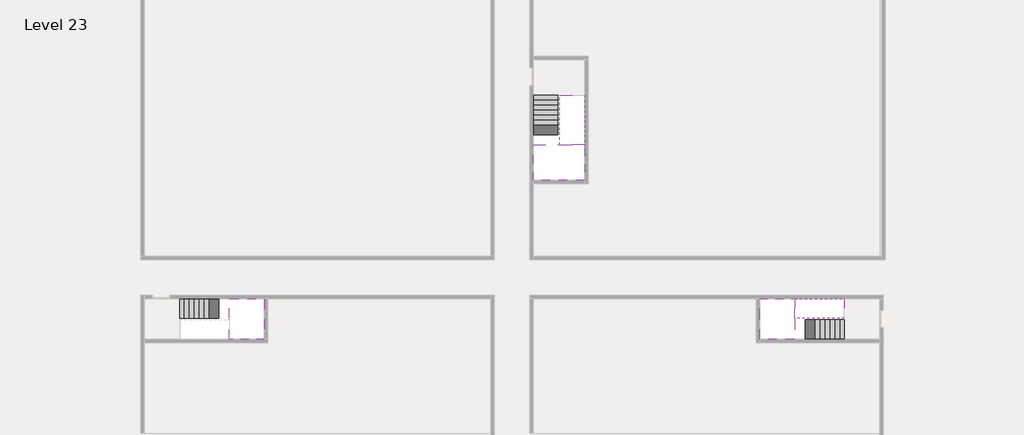
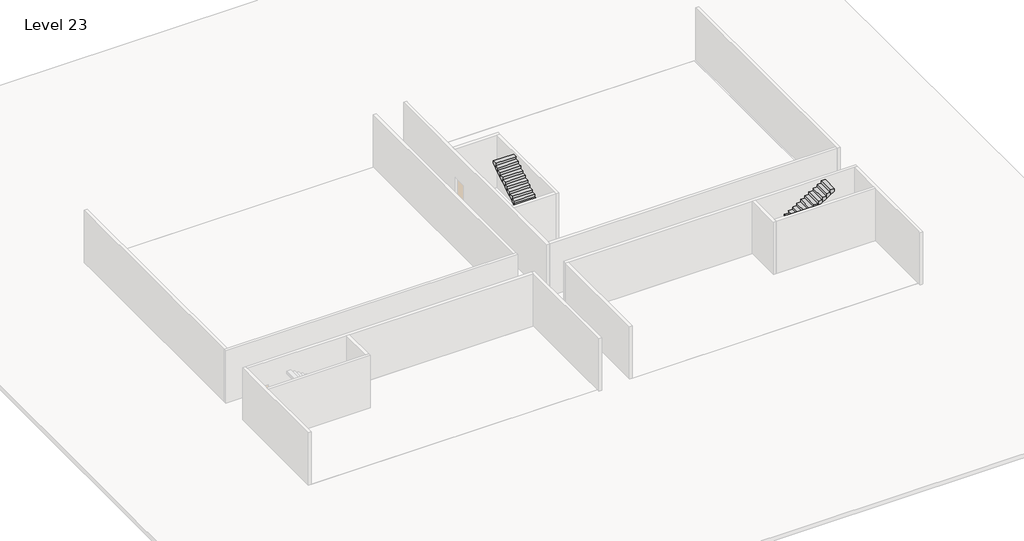
# One storey, part 2 of 2: 5 stair flights, 3 slabs.
"""IFC4 building model written with IfcOpenShell, lengths in millimetres."""

from ifc_helpers import new_model, si_unit, origin, place, context, project, spatial, faceted_brep, element, save

model = new_model("IFC4")

# Units and contexts
model_context = context("Model", 3, world=origin())
ifc_project = project(units=[si_unit("LENGTHUNIT", "METRE", prefix="MILLI")], contexts=[model_context])

# Site, building, storey
site = spatial("IfcSite", under=ifc_project)
building = spatial("IfcBuilding", under=site)
storey = spatial("IfcBuildingStorey", under=building, Name="Level 23", Elevation=83600.0)

# Slabs
placement = place(None, origin())
element("IfcSlab", 1, at=placement, inside=storey, context=model_context, shape_type="Brep", body=[
    faceted_brep([(8190.1058784, -42918.09644, 85500.0), (8190.1058784, -44018.09644, 85500.0), (8190.1058784, -44118.09644, 85500.0), (8190.1058784, -45218.09644, 85500.0), (8390.7194421, -45218.09644, 85500.0), (10190.1058784, -45218.09644, 85500.0), (10190.1058784, -42918.09644, 85500.0), (8269.4923146, -42918.09644, 85500.0), (8190.1058784, -42918.09644, 85327.2727273), (8190.1058784, -42918.09644, 85151.0278478), (8190.1058784, -44018.09644, 85151.0278478), (8190.1058784, -44018.09644, 85200.0), (8190.1058784, -44118.09644, 85200.0), (8190.1058784, -44118.09644, 85323.7551205), (8190.1058784, -45218.09644, 85323.7551205), (8390.7194421, -45218.09644, 85200.0), (10190.1058784, -45218.09644, 85200.0), (10190.1058784, -42918.09644, 85200.0), (8269.4923146, -42918.09644, 85200.0), (8390.7194421, -44118.09644, 85200.0), (8269.4923146, -44018.09644, 85200.0)], [[[0, 1, 2, 3, 4, 5, 6, 7]], [[1, 0, 8, 9, 10, 11]], [[2, 1, 11, 12, 13]], [[3, 2, 13, 14]], [[3, 14, 15, 16, 5, 4]], [[6, 5, 16, 17]], [[9, 8, 0, 7, 6, 17, 18]], [[19, 12, 11, 20, 18, 17, 16, 15]], [[12, 19, 13]], [[18, 20, 10, 9]], [[20, 11, 10]], [[19, 15, 14, 13]]]),
])
element("IfcSlab", 2, at=placement, inside=storey, context=model_context, shape_type="Brep", body=[
    faceted_brep([(40190.1058784, -45218.09644, 85500.0), (40190.1058784, -44118.09644, 85500.0), (40190.1058784, -44018.09644, 85500.0), (40190.1058784, -42918.09644, 85500.0), (39989.4923146, -42918.09644, 85500.0), (38190.1058784, -42918.09644, 85500.0), (38190.1058784, -45218.09644, 85500.0), (40110.7194421, -45218.09644, 85500.0), (40190.1058784, -45218.09644, 85327.2727273), (40190.1058784, -45218.09644, 85151.0278478), (40190.1058784, -44118.09644, 85151.0278478), (40190.1058784, -44118.09644, 85200.0), (40190.1058784, -44018.09644, 85200.0), (40190.1058784, -44018.09644, 85323.7551205), (40190.1058784, -42918.09644, 85323.7551205), (39989.4923146, -42918.09644, 85200.0), (38190.1058784, -42918.09644, 85200.0), (38190.1058784, -45218.09644, 85200.0), (40110.7194421, -45218.09644, 85200.0), (39989.4923146, -44018.09644, 85200.0), (40110.7194421, -44118.09644, 85200.0)], [[[0, 1, 2, 3, 4, 5, 6, 7]], [[1, 0, 8, 9, 10, 11]], [[2, 1, 11, 12, 13]], [[3, 2, 13, 14]], [[3, 14, 15, 16, 5, 4]], [[6, 5, 16, 17]], [[9, 8, 0, 7, 6, 17, 18]], [[19, 12, 11, 20, 18, 17, 16, 15]], [[12, 19, 13]], [[18, 20, 10, 9]], [[20, 11, 10]], [[19, 15, 14, 13]]]),
])
element("IfcSlab", 3, at=placement, inside=storey, context=model_context, shape_type="Brep", body=[
    faceted_brep([(26790.1058784, -34218.09644, 85500.0), (25390.1058784, -34218.09644, 85500.0), (25390.1058784, -34297.4828763, 85500.0), (25390.1058784, -36218.09644, 85500.0), (28290.1058784, -36218.09644, 85500.0), (28290.1058784, -34418.7100038, 85500.0), (28290.1058784, -34218.09644, 85500.0), (26890.1058784, -34218.09644, 85500.0), (26790.1058784, -34218.09644, 85200.0), (26790.1058784, -34218.09644, 85151.0278478), (25390.1058784, -34218.09644, 85151.0278478), (25390.1058784, -34218.09644, 85327.2727273), (25390.1058784, -34297.4828763, 85200.0), (25390.1058784, -36218.09644, 85200.0), (28290.1058784, -36218.09644, 85200.0), (28290.1058784, -34418.7100038, 85200.0), (28290.1058784, -34218.09644, 85323.7551205), (26890.1058784, -34218.09644, 85323.7551205), (26890.1058784, -34218.09644, 85200.0), (26890.1058784, -34418.7100038, 85200.0), (26790.1058784, -34297.4828763, 85200.0)], [[[0, 1, 2, 3, 4, 5, 6, 7]], [[1, 0, 8, 9, 10, 11]], [[1, 11, 10, 12, 13, 3, 2]], [[4, 3, 13, 14]], [[4, 14, 15, 16, 6, 5]], [[7, 6, 16, 17]], [[0, 7, 17, 18, 8]], [[18, 19, 15, 14, 13, 12, 20, 8]], [[19, 18, 17]], [[20, 12, 10, 9]], [[8, 20, 9]], [[15, 19, 17, 16]]]),
])

# Stair flights
element("IfcStairFlight", 4, at=placement, inside=storey, context=model_context, shape_type="Brep", body=[
    faceted_brep([(5670.1058784, -42918.09644, 83772.7272727), (5390.1058784, -42918.09644, 83772.7272727), (5390.1058784, -44018.09644, 83772.7272727), (5670.1058784, -44018.09644, 83772.7272727), (5670.1058784, -42918.09644, 83600.0), (5390.1058784, -42918.09644, 83600.0), (5390.1058784, -44018.09644, 83600.0), (5670.1058784, -44018.09644, 83600.0), (5950.1058784, -42918.09644, 83945.4545455), (5670.1058784, -42918.09644, 83945.4545455), (5670.1058784, -44018.09644, 83945.4545455), (5950.1058784, -44018.09644, 83945.4545455), (5950.1058784, -42918.09644, 83769.209666), (5675.8081041, -42918.09644, 83600.0), (5675.8081041, -44018.09644, 83600.0), (5950.1058784, -44018.09644, 83769.209666), (6230.1058784, -42918.09644, 84118.1818182), (5950.1058784, -42918.09644, 84118.1818182), (5950.1058784, -44018.09644, 84118.1818182), (6230.1058784, -44018.09644, 84118.1818182), (6230.1058784, -42918.09644, 83941.9369387), (6230.1058784, -44018.09644, 83941.9369387), (6510.1058784, -42918.09644, 84290.9090909), (6230.1058784, -42918.09644, 84290.9090909), (6230.1058784, -44018.09644, 84290.9090909), (6510.1058784, -44018.09644, 84290.9090909), (6510.1058784, -42918.09644, 84114.6642114), (6510.1058784, -44018.09644, 84114.6642114), (6790.1058784, -42918.09644, 84463.6363636), (6510.1058784, -42918.09644, 84463.6363636), (6510.1058784, -44018.09644, 84463.6363636), (6790.1058784, -44018.09644, 84463.6363636), (6790.1058784, -42918.09644, 84287.3914841), (6790.1058784, -44018.09644, 84287.3914841), (7070.1058784, -42918.09644, 84636.3636364), (6790.1058784, -42918.09644, 84636.3636364), (6790.1058784, -44018.09644, 84636.3636364), (7070.1058784, -44018.09644, 84636.3636364), (7070.1058784, -42918.09644, 84460.1187569), (7070.1058784, -44018.09644, 84460.1187569), (7350.1058784, -42918.09644, 84809.0909091), (7070.1058784, -42918.09644, 84809.0909091), (7070.1058784, -44018.09644, 84809.0909091), (7350.1058784, -44018.09644, 84809.0909091), (7350.1058784, -42918.09644, 84632.8460296), (7350.1058784, -44018.09644, 84632.8460296), (7630.1058784, -42918.09644, 84981.8181818), (7350.1058784, -42918.09644, 84981.8181818), (7350.1058784, -44018.09644, 84981.8181818), (7630.1058784, -44018.09644, 84981.8181818), (7630.1058784, -42918.09644, 84805.5733023), (7630.1058784, -44018.09644, 84805.5733023), (7910.1058784, -42918.09644, 85154.5454545), (7630.1058784, -42918.09644, 85154.5454545), (7630.1058784, -44018.09644, 85154.5454545), (7910.1058784, -44018.09644, 85154.5454545), (7910.1058784, -42918.09644, 84978.3005751), (7910.1058784, -44018.09644, 84978.3005751), (8190.1058784, -42918.09644, 85327.2727273), (7910.1058784, -42918.09644, 85327.2727273), (7910.1058784, -44018.09644, 85327.2727273), (8190.1058784, -44018.09644, 85327.2727273), (8190.1058784, -42918.09644, 85151.0278478), (8190.1058784, -44018.09644, 85151.0278478), (8190.1058784, -44018.09644, 85200.0)], [[[0, 1, 2, 3]], [[1, 0, 4, 5]], [[2, 1, 5, 6]], [[3, 2, 6, 7]], [[8, 9, 10, 11]], [[4, 0, 9, 8, 12, 13]], [[0, 3, 10, 9]], [[3, 7, 14, 15, 11, 10]], [[16, 17, 18, 19]], [[17, 16, 20, 12, 8]], [[8, 11, 18, 17]], [[19, 18, 11, 15, 21]], [[22, 23, 24, 25]], [[23, 22, 26, 20, 16]], [[16, 19, 24, 23]], [[25, 24, 19, 21, 27]], [[28, 29, 30, 31]], [[29, 28, 32, 26, 22]], [[22, 25, 30, 29]], [[31, 30, 25, 27, 33]], [[34, 35, 36, 37]], [[35, 34, 38, 32, 28]], [[28, 31, 36, 35]], [[37, 36, 31, 33, 39]], [[40, 41, 42, 43]], [[41, 40, 44, 38, 34]], [[34, 37, 42, 41]], [[43, 42, 37, 39, 45]], [[46, 47, 48, 49]], [[47, 46, 50, 44, 40]], [[40, 43, 48, 47]], [[49, 48, 43, 45, 51]], [[52, 53, 54, 55]], [[53, 52, 56, 50, 46]], [[46, 49, 54, 53]], [[55, 54, 49, 51, 57]], [[58, 59, 60, 61]], [[59, 58, 62, 56, 52]], [[52, 55, 60, 59]], [[61, 60, 55, 57, 63, 64]], [[58, 61, 64, 63, 62]], [[5, 4, 13, 14, 7, 6]], [[14, 13, 12, 20, 26, 32, 38, 44, 50, 56, 62, 63, 57, 51, 45, 39, 33, 27, 21, 15]]]),
])
element("IfcStairFlight", 5, at=placement, inside=storey, context=model_context, shape_type="Brep", body=[
    faceted_brep([(42710.1058784, -45218.09644, 83772.7272727), (42990.1058784, -45218.09644, 83772.7272727), (42990.1058784, -44118.09644, 83772.7272727), (42710.1058784, -44118.09644, 83772.7272727), (42710.1058784, -45218.09644, 83600.0), (42990.1058784, -45218.09644, 83600.0), (42990.1058784, -44118.09644, 83600.0), (42710.1058784, -44118.09644, 83600.0), (42430.1058784, -45218.09644, 83945.4545455), (42710.1058784, -45218.09644, 83945.4545455), (42710.1058784, -44118.09644, 83945.4545455), (42430.1058784, -44118.09644, 83945.4545455), (42430.1058784, -45218.09644, 83769.209666), (42704.4036527, -45218.09644, 83600.0), (42704.4036527, -44118.09644, 83600.0), (42430.1058784, -44118.09644, 83769.209666), (42150.1058784, -45218.09644, 84118.1818182), (42430.1058784, -45218.09644, 84118.1818182), (42430.1058784, -44118.09644, 84118.1818182), (42150.1058784, -44118.09644, 84118.1818182), (42150.1058784, -45218.09644, 83941.9369387), (42150.1058784, -44118.09644, 83941.9369387), (41870.1058784, -45218.09644, 84290.9090909), (42150.1058784, -45218.09644, 84290.9090909), (42150.1058784, -44118.09644, 84290.9090909), (41870.1058784, -44118.09644, 84290.9090909), (41870.1058784, -45218.09644, 84114.6642114), (41870.1058784, -44118.09644, 84114.6642114), (41590.1058784, -45218.09644, 84463.6363636), (41870.1058784, -45218.09644, 84463.6363636), (41870.1058784, -44118.09644, 84463.6363636), (41590.1058784, -44118.09644, 84463.6363636), (41590.1058784, -45218.09644, 84287.3914841), (41590.1058784, -44118.09644, 84287.3914841), (41310.1058784, -45218.09644, 84636.3636364), (41590.1058784, -45218.09644, 84636.3636364), (41590.1058784, -44118.09644, 84636.3636364), (41310.1058784, -44118.09644, 84636.3636364), (41310.1058784, -45218.09644, 84460.1187569), (41310.1058784, -44118.09644, 84460.1187569), (41030.1058784, -45218.09644, 84809.0909091), (41310.1058784, -45218.09644, 84809.0909091), (41310.1058784, -44118.09644, 84809.0909091), (41030.1058784, -44118.09644, 84809.0909091), (41030.1058784, -45218.09644, 84632.8460296), (41030.1058784, -44118.09644, 84632.8460296), (40750.1058784, -45218.09644, 84981.8181818), (41030.1058784, -45218.09644, 84981.8181818), (41030.1058784, -44118.09644, 84981.8181818), (40750.1058784, -44118.09644, 84981.8181818), (40750.1058784, -45218.09644, 84805.5733023), (40750.1058784, -44118.09644, 84805.5733023), (40470.1058784, -45218.09644, 85154.5454545), (40750.1058784, -45218.09644, 85154.5454545), (40750.1058784, -44118.09644, 85154.5454545), (40470.1058784, -44118.09644, 85154.5454545), (40470.1058784, -45218.09644, 84978.3005751), (40470.1058784, -44118.09644, 84978.3005751), (40190.1058784, -45218.09644, 85327.2727273), (40470.1058784, -45218.09644, 85327.2727273), (40470.1058784, -44118.09644, 85327.2727273), (40190.1058784, -44118.09644, 85327.2727273), (40190.1058784, -45218.09644, 85151.0278478), (40190.1058784, -44118.09644, 85151.0278478), (40190.1058784, -44118.09644, 85200.0)], [[[0, 1, 2, 3]], [[1, 0, 4, 5]], [[2, 1, 5, 6]], [[3, 2, 6, 7]], [[8, 9, 10, 11]], [[4, 0, 9, 8, 12, 13]], [[0, 3, 10, 9]], [[3, 7, 14, 15, 11, 10]], [[16, 17, 18, 19]], [[17, 16, 20, 12, 8]], [[8, 11, 18, 17]], [[19, 18, 11, 15, 21]], [[22, 23, 24, 25]], [[23, 22, 26, 20, 16]], [[16, 19, 24, 23]], [[25, 24, 19, 21, 27]], [[28, 29, 30, 31]], [[29, 28, 32, 26, 22]], [[22, 25, 30, 29]], [[31, 30, 25, 27, 33]], [[34, 35, 36, 37]], [[35, 34, 38, 32, 28]], [[28, 31, 36, 35]], [[37, 36, 31, 33, 39]], [[40, 41, 42, 43]], [[41, 40, 44, 38, 34]], [[34, 37, 42, 41]], [[43, 42, 37, 39, 45]], [[46, 47, 48, 49]], [[47, 46, 50, 44, 40]], [[40, 43, 48, 47]], [[49, 48, 43, 45, 51]], [[52, 53, 54, 55]], [[53, 52, 56, 50, 46]], [[46, 49, 54, 53]], [[55, 54, 49, 51, 57]], [[58, 59, 60, 61]], [[59, 58, 62, 56, 52]], [[52, 55, 60, 59]], [[61, 60, 55, 57, 63, 64]], [[58, 61, 64, 63, 62]], [[5, 4, 13, 14, 7, 6]], [[14, 13, 12, 20, 26, 32, 38, 44, 50, 56, 62, 63, 57, 51, 45, 39, 33, 27, 21, 15]]]),
])
element("IfcStairFlight", 6, at=placement, inside=storey, context=model_context, shape_type="Brep", body=[
    faceted_brep([(40470.1058784, -42918.09644, 85672.7272727), (40190.1058784, -42918.09644, 85672.7272727), (40190.1058784, -44018.09644, 85672.7272727), (40470.1058784, -44018.09644, 85672.7272727), (40470.1058784, -42918.09644, 85496.4823932), (40190.1058784, -42918.09644, 85323.7551205), (40190.1058784, -42918.09644, 85500.0), (40190.1058784, -44018.09644, 85323.7551205), (40470.1058784, -44018.09644, 85496.4823932), (40750.1058784, -42918.09644, 85845.4545455), (40470.1058784, -42918.09644, 85845.4545455), (40470.1058784, -44018.09644, 85845.4545455), (40750.1058784, -44018.09644, 85845.4545455), (40750.1058784, -42918.09644, 85669.209666), (40750.1058784, -44018.09644, 85669.209666), (41030.1058784, -42918.09644, 86018.1818182), (40750.1058784, -42918.09644, 86018.1818182), (40750.1058784, -44018.09644, 86018.1818182), (41030.1058784, -44018.09644, 86018.1818182), (41030.1058784, -42918.09644, 85841.9369387), (41030.1058784, -44018.09644, 85841.9369387), (41310.1058784, -42918.09644, 86190.9090909), (41030.1058784, -42918.09644, 86190.9090909), (41030.1058784, -44018.09644, 86190.9090909), (41310.1058784, -44018.09644, 86190.9090909), (41310.1058784, -42918.09644, 86014.6642114), (41310.1058784, -44018.09644, 86014.6642114), (41590.1058784, -42918.09644, 86363.6363636), (41310.1058784, -42918.09644, 86363.6363636), (41310.1058784, -44018.09644, 86363.6363636), (41590.1058784, -44018.09644, 86363.6363636), (41590.1058784, -42918.09644, 86187.3914841), (41590.1058784, -44018.09644, 86187.3914841), (41870.1058784, -42918.09644, 86536.3636364), (41590.1058784, -42918.09644, 86536.3636364), (41590.1058784, -44018.09644, 86536.3636364), (41870.1058784, -44018.09644, 86536.3636364), (41870.1058784, -42918.09644, 86360.1187569), (41870.1058784, -44018.09644, 86360.1187569), (42150.1058784, -42918.09644, 86709.0909091), (41870.1058784, -42918.09644, 86709.0909091), (41870.1058784, -44018.09644, 86709.0909091), (42150.1058784, -44018.09644, 86709.0909091), (42150.1058784, -42918.09644, 86532.8460296), (42150.1058784, -44018.09644, 86532.8460296), (42430.1058784, -42918.09644, 86881.8181818), (42150.1058784, -42918.09644, 86881.8181818), (42150.1058784, -44018.09644, 86881.8181818), (42430.1058784, -44018.09644, 86881.8181818), (42430.1058784, -42918.09644, 86705.5733023), (42430.1058784, -44018.09644, 86705.5733023), (42710.1058784, -42918.09644, 87054.5454545), (42430.1058784, -42918.09644, 87054.5454545), (42430.1058784, -44018.09644, 87054.5454545), (42710.1058784, -44018.09644, 87054.5454545), (42710.1058784, -42918.09644, 86878.3005751), (42710.1058784, -44018.09644, 86878.3005751), (42990.1058784, -42918.09644, 87227.2727273), (42710.1058784, -42918.09644, 87227.2727273), (42710.1058784, -44018.09644, 87227.2727273), (42990.1058784, -44018.09644, 87227.2727273), (42990.1058784, -42918.09644, 87051.0278478), (42990.1058784, -44018.09644, 87051.0278478)], [[[0, 1, 2, 3]], [[1, 0, 4, 5, 6]], [[2, 1, 6, 5, 7]], [[3, 2, 7, 8]], [[9, 10, 11, 12]], [[10, 9, 13, 4, 0]], [[11, 10, 0, 3]], [[12, 11, 3, 8, 14]], [[15, 16, 17, 18]], [[16, 15, 19, 13, 9]], [[17, 16, 9, 12]], [[18, 17, 12, 14, 20]], [[21, 22, 23, 24]], [[22, 21, 25, 19, 15]], [[23, 22, 15, 18]], [[24, 23, 18, 20, 26]], [[27, 28, 29, 30]], [[28, 27, 31, 25, 21]], [[29, 28, 21, 24]], [[30, 29, 24, 26, 32]], [[33, 34, 35, 36]], [[34, 33, 37, 31, 27]], [[35, 34, 27, 30]], [[36, 35, 30, 32, 38]], [[39, 40, 41, 42]], [[40, 39, 43, 37, 33]], [[41, 40, 33, 36]], [[42, 41, 36, 38, 44]], [[45, 46, 47, 48]], [[46, 45, 49, 43, 39]], [[47, 46, 39, 42]], [[48, 47, 42, 44, 50]], [[51, 52, 53, 54]], [[52, 51, 55, 49, 45]], [[53, 52, 45, 48]], [[54, 53, 48, 50, 56]], [[57, 58, 59, 60]], [[58, 57, 61, 55, 51]], [[59, 58, 51, 54]], [[60, 59, 54, 56, 62]], [[57, 60, 62, 61]], [[5, 4, 13, 19, 25, 31, 37, 43, 49, 55, 61, 62, 56, 50, 44, 38, 32, 26, 20, 14, 8, 7]]]),
])
element("IfcStairFlight", 7, at=placement, inside=storey, context=model_context, shape_type="Brep", body=[
    faceted_brep([(26790.1058784, -31698.09644, 83772.7272727), (26790.1058784, -31418.09644, 83772.7272727), (25390.1058784, -31418.09644, 83772.7272727), (25390.1058784, -31698.09644, 83772.7272727), (26790.1058784, -31698.09644, 83600.0), (26790.1058784, -31418.09644, 83600.0), (25390.1058784, -31418.09644, 83600.0), (25390.1058784, -31698.09644, 83600.0), (26790.1058784, -31978.09644, 83945.4545455), (26790.1058784, -31698.09644, 83945.4545455), (25390.1058784, -31698.09644, 83945.4545455), (25390.1058784, -31978.09644, 83945.4545455), (26790.1058784, -31978.09644, 83769.209666), (26790.1058784, -31703.7986657, 83600.0), (25390.1058784, -31703.7986657, 83600.0), (25390.1058784, -31978.09644, 83769.209666), (26790.1058784, -32258.09644, 84118.1818182), (26790.1058784, -31978.09644, 84118.1818182), (25390.1058784, -31978.09644, 84118.1818182), (25390.1058784, -32258.09644, 84118.1818182), (26790.1058784, -32258.09644, 83941.9369387), (25390.1058784, -32258.09644, 83941.9369387), (26790.1058784, -32538.09644, 84290.9090909), (26790.1058784, -32258.09644, 84290.9090909), (25390.1058784, -32258.09644, 84290.9090909), (25390.1058784, -32538.09644, 84290.9090909), (26790.1058784, -32538.09644, 84114.6642114), (25390.1058784, -32538.09644, 84114.6642114), (26790.1058784, -32818.09644, 84463.6363636), (26790.1058784, -32538.09644, 84463.6363636), (25390.1058784, -32538.09644, 84463.6363636), (25390.1058784, -32818.09644, 84463.6363636), (26790.1058784, -32818.09644, 84287.3914841), (25390.1058784, -32818.09644, 84287.3914841), (26790.1058784, -33098.09644, 84636.3636364), (26790.1058784, -32818.09644, 84636.3636364), (25390.1058784, -32818.09644, 84636.3636364), (25390.1058784, -33098.09644, 84636.3636364), (26790.1058784, -33098.09644, 84460.1187569), (25390.1058784, -33098.09644, 84460.1187569), (26790.1058784, -33378.09644, 84809.0909091), (26790.1058784, -33098.09644, 84809.0909091), (25390.1058784, -33098.09644, 84809.0909091), (25390.1058784, -33378.09644, 84809.0909091), (26790.1058784, -33378.09644, 84632.8460296), (25390.1058784, -33378.09644, 84632.8460296), (26790.1058784, -33658.09644, 84981.8181818), (26790.1058784, -33378.09644, 84981.8181818), (25390.1058784, -33378.09644, 84981.8181818), (25390.1058784, -33658.09644, 84981.8181818), (26790.1058784, -33658.09644, 84805.5733023), (25390.1058784, -33658.09644, 84805.5733023), (26790.1058784, -33938.09644, 85154.5454545), (26790.1058784, -33658.09644, 85154.5454545), (25390.1058784, -33658.09644, 85154.5454545), (25390.1058784, -33938.09644, 85154.5454545), (26790.1058784, -33938.09644, 84978.3005751), (25390.1058784, -33938.09644, 84978.3005751), (26790.1058784, -34218.09644, 85327.2727273), (26790.1058784, -33938.09644, 85327.2727273), (25390.1058784, -33938.09644, 85327.2727273), (25390.1058784, -34218.09644, 85327.2727273), (26790.1058784, -34218.09644, 85200.0), (26790.1058784, -34218.09644, 85151.0278478), (25390.1058784, -34218.09644, 85151.0278478)], [[[0, 1, 2, 3]], [[1, 0, 4, 5]], [[2, 1, 5, 6]], [[3, 2, 6, 7]], [[8, 9, 10, 11]], [[4, 0, 9, 8, 12, 13]], [[0, 3, 10, 9]], [[3, 7, 14, 15, 11, 10]], [[16, 17, 18, 19]], [[17, 16, 20, 12, 8]], [[8, 11, 18, 17]], [[19, 18, 11, 15, 21]], [[22, 23, 24, 25]], [[23, 22, 26, 20, 16]], [[16, 19, 24, 23]], [[25, 24, 19, 21, 27]], [[28, 29, 30, 31]], [[29, 28, 32, 26, 22]], [[22, 25, 30, 29]], [[31, 30, 25, 27, 33]], [[34, 35, 36, 37]], [[35, 34, 38, 32, 28]], [[28, 31, 36, 35]], [[37, 36, 31, 33, 39]], [[40, 41, 42, 43]], [[41, 40, 44, 38, 34]], [[34, 37, 42, 41]], [[43, 42, 37, 39, 45]], [[46, 47, 48, 49]], [[47, 46, 50, 44, 40]], [[40, 43, 48, 47]], [[49, 48, 43, 45, 51]], [[52, 53, 54, 55]], [[53, 52, 56, 50, 46]], [[46, 49, 54, 53]], [[55, 54, 49, 51, 57]], [[58, 59, 60, 61]], [[59, 58, 62, 63, 56, 52]], [[52, 55, 60, 59]], [[61, 60, 55, 57, 64]], [[58, 61, 64, 63, 62]], [[5, 4, 13, 14, 7, 6]], [[14, 13, 12, 20, 26, 32, 38, 44, 50, 56, 63, 64, 57, 51, 45, 39, 33, 27, 21, 15]]]),
])
element("IfcStairFlight", 8, at=placement, inside=storey, context=model_context, shape_type="Brep", body=[
    faceted_brep([(26890.1058784, -33938.09644, 85672.7272727), (26890.1058784, -34218.09644, 85672.7272727), (28290.1058784, -34218.09644, 85672.7272727), (28290.1058784, -33938.09644, 85672.7272727), (26890.1058784, -33938.09644, 85496.4823932), (26890.1058784, -34218.09644, 85323.7551205), (28290.1058784, -34218.09644, 85323.7551205), (28290.1058784, -34218.09644, 85500.0), (28290.1058784, -33938.09644, 85496.4823932), (26890.1058784, -33658.09644, 85845.4545455), (26890.1058784, -33938.09644, 85845.4545455), (28290.1058784, -33938.09644, 85845.4545455), (28290.1058784, -33658.09644, 85845.4545455), (26890.1058784, -33658.09644, 85669.209666), (28290.1058784, -33658.09644, 85669.209666), (26890.1058784, -33378.09644, 86018.1818182), (26890.1058784, -33658.09644, 86018.1818182), (28290.1058784, -33658.09644, 86018.1818182), (28290.1058784, -33378.09644, 86018.1818182), (26890.1058784, -33378.09644, 85841.9369387), (28290.1058784, -33378.09644, 85841.9369387), (26890.1058784, -33098.09644, 86190.9090909), (26890.1058784, -33378.09644, 86190.9090909), (28290.1058784, -33378.09644, 86190.9090909), (28290.1058784, -33098.09644, 86190.9090909), (26890.1058784, -33098.09644, 86014.6642114), (28290.1058784, -33098.09644, 86014.6642114), (26890.1058784, -32818.09644, 86363.6363636), (26890.1058784, -33098.09644, 86363.6363636), (28290.1058784, -33098.09644, 86363.6363636), (28290.1058784, -32818.09644, 86363.6363636), (26890.1058784, -32818.09644, 86187.3914841), (28290.1058784, -32818.09644, 86187.3914841), (26890.1058784, -32538.09644, 86536.3636364), (26890.1058784, -32818.09644, 86536.3636364), (28290.1058784, -32818.09644, 86536.3636364), (28290.1058784, -32538.09644, 86536.3636364), (26890.1058784, -32538.09644, 86360.1187569), (28290.1058784, -32538.09644, 86360.1187569), (26890.1058784, -32258.09644, 86709.0909091), (26890.1058784, -32538.09644, 86709.0909091), (28290.1058784, -32538.09644, 86709.0909091), (28290.1058784, -32258.09644, 86709.0909091), (26890.1058784, -32258.09644, 86532.8460296), (28290.1058784, -32258.09644, 86532.8460296), (26890.1058784, -31978.09644, 86881.8181818), (26890.1058784, -32258.09644, 86881.8181818), (28290.1058784, -32258.09644, 86881.8181818), (28290.1058784, -31978.09644, 86881.8181818), (26890.1058784, -31978.09644, 86705.5733023), (28290.1058784, -31978.09644, 86705.5733023), (26890.1058784, -31698.09644, 87054.5454545), (26890.1058784, -31978.09644, 87054.5454545), (28290.1058784, -31978.09644, 87054.5454545), (28290.1058784, -31698.09644, 87054.5454545), (26890.1058784, -31698.09644, 86878.3005751), (28290.1058784, -31698.09644, 86878.3005751), (26890.1058784, -31418.09644, 87227.2727273), (26890.1058784, -31698.09644, 87227.2727273), (28290.1058784, -31698.09644, 87227.2727273), (28290.1058784, -31418.09644, 87227.2727273), (26890.1058784, -31418.09644, 87051.0278478), (28290.1058784, -31418.09644, 87051.0278478)], [[[0, 1, 2, 3]], [[1, 0, 4, 5]], [[2, 1, 5, 6, 7]], [[3, 2, 7, 6, 8]], [[9, 10, 11, 12]], [[10, 9, 13, 4, 0]], [[11, 10, 0, 3]], [[12, 11, 3, 8, 14]], [[15, 16, 17, 18]], [[16, 15, 19, 13, 9]], [[17, 16, 9, 12]], [[18, 17, 12, 14, 20]], [[21, 22, 23, 24]], [[22, 21, 25, 19, 15]], [[23, 22, 15, 18]], [[24, 23, 18, 20, 26]], [[27, 28, 29, 30]], [[28, 27, 31, 25, 21]], [[29, 28, 21, 24]], [[30, 29, 24, 26, 32]], [[33, 34, 35, 36]], [[34, 33, 37, 31, 27]], [[35, 34, 27, 30]], [[36, 35, 30, 32, 38]], [[39, 40, 41, 42]], [[40, 39, 43, 37, 33]], [[41, 40, 33, 36]], [[42, 41, 36, 38, 44]], [[45, 46, 47, 48]], [[46, 45, 49, 43, 39]], [[47, 46, 39, 42]], [[48, 47, 42, 44, 50]], [[51, 52, 53, 54]], [[52, 51, 55, 49, 45]], [[53, 52, 45, 48]], [[54, 53, 48, 50, 56]], [[57, 58, 59, 60]], [[58, 57, 61, 55, 51]], [[59, 58, 51, 54]], [[60, 59, 54, 56, 62]], [[57, 60, 62, 61]], [[5, 4, 13, 19, 25, 31, 37, 43, 49, 55, 61, 62, 56, 50, 44, 38, 32, 26, 20, 14, 8, 6]]]),
])

save(model, "model.ifc")
